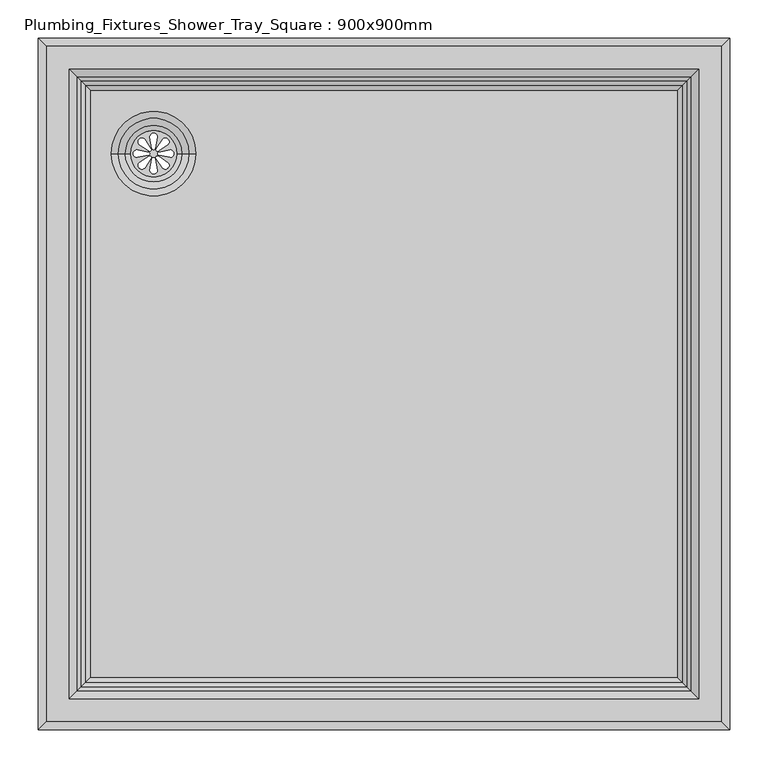
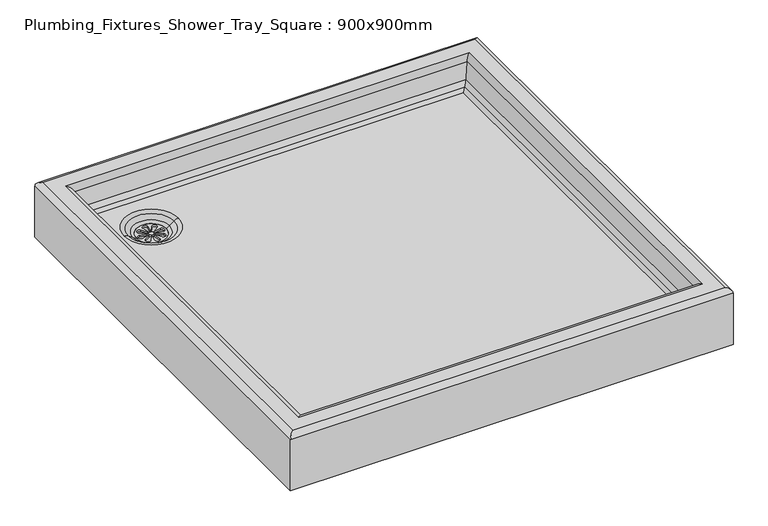
"""IFC4 building model written with IfcOpenShell, lengths in millimetres: flow terminal geometry, Plumbing_Fixtures_Shower_Tray_Square : 900x900mm."""

from ifc_helpers import new_model, si_unit, point, frame, frame_2d, origin, place, context, project, spatial, polyline, circle_curve, ellipse_curve, trimmed, segment, composite_curve, outline, extrude, source, transform, mapped, element, save
from ifc_brep_helpers import plane_surface, cylinder_surface, revolved_surface, advanced_brep


def plumbing_fixtures_shower_tray_square_900x900mm_4f2a29ac(model_context):
    return source(origin(), model_context, "Body", "SolidModel", [
        extrude(outline(composite_curve([segment(trimmed(circle_curve(frame_2d((-300.0, 300.0)), 30.0), [point((-330.0, 300.0))], [point((-270.0, 300.0))], False, "CARTESIAN"), True, "CONTINUOUS"), segment(trimmed(circle_curve(frame_2d((-300.0, 300.0)), 30.0), [point((-270.0, 300.0))], [point((-330.0, 300.0))], False, "CARTESIAN"), True, "CONTINUOUS")], self_intersect=False), holes=[composite_curve([segment(polyline([(-298.0437984, 307.2242832), (-295.0173347, 321.5301417)]), True, "CONTINUOUS"), segment(trimmed(circle_curve(frame_2d((-300.0, 321.5301417)), 4.9826653), [point((-295.0173347, 321.5301417))], [point((-304.9826653, 321.5301417))], True, "CARTESIAN"), True, "CONTINUOUS"), segment(polyline([(-304.9826653, 321.5301417), (-302.1435586, 307.2242832)]), True, "CONTINUOUS"), segment(trimmed(circle_curve(frame_2d((-300.0936785, 307.2242832)), 2.0498801), [point((-302.1435586, 307.2242832))], [point((-298.0437984, 307.2242832))], True, "CARTESIAN"), True, "CONTINUOUS")], self_intersect=False), composite_curve([segment(trimmed(circle_curve(frame_2d((-300.0936785, 292.7757168)), 2.0498801), [point((-298.0437984, 292.7757168))], [point((-302.1435586, 292.7757168))], True, "CARTESIAN"), True, "CONTINUOUS"), segment(polyline([(-302.1435586, 292.7757168), (-304.9826653, 278.4698583)]), True, "CONTINUOUS"), segment(trimmed(circle_curve(frame_2d((-300.0, 278.4698583)), 4.9826653), [point((-304.9826653, 278.4698583))], [point((-295.0173347, 278.4698583))], True, "CARTESIAN"), True, "CONTINUOUS"), segment(polyline([(-295.0173347, 278.4698583), (-298.0437984, 292.7757168)]), True, "CONTINUOUS")], self_intersect=False), composite_curve([segment(polyline([(-307.2242832, 301.9562016), (-321.5301417, 304.9826653)]), True, "CONTINUOUS"), segment(trimmed(circle_curve(frame_2d((-321.5301417, 300.0)), 4.9826653), [point((-321.5301417, 304.9826653))], [point((-321.5301417, 295.0173347))], True, "CARTESIAN"), True, "CONTINUOUS"), segment(polyline([(-321.5301417, 295.0173347), (-307.2242832, 297.8564414)]), True, "CONTINUOUS"), segment(trimmed(circle_curve(frame_2d((-307.2242832, 299.9063215)), 2.0498801), [point((-307.2242832, 297.8564414))], [point((-307.2242832, 301.9562016))], True, "CARTESIAN"), True, "CONTINUOUS")], self_intersect=False), composite_curve([segment(trimmed(circle_curve(frame_2d((-292.7757168, 299.9063215)), 2.0498801), [point((-292.7757168, 301.9562016))], [point((-292.7757168, 297.8564414))], True, "CARTESIAN"), True, "CONTINUOUS"), segment(polyline([(-292.7757168, 297.8564414), (-278.4698583, 295.0173347)]), True, "CONTINUOUS"), segment(trimmed(circle_curve(frame_2d((-278.4698583, 300.0)), 4.9826653), [point((-278.4698583, 295.0173347))], [point((-278.4698583, 304.9826653))], True, "CARTESIAN"), True, "CONTINUOUS"), segment(polyline([(-278.4698583, 304.9826653), (-292.7757168, 301.9562016)]), True, "CONTINUOUS")], self_intersect=False), composite_curve([segment(polyline([(-303.7250963, 306.4915831), (-311.7008327, 318.7473856)]), True, "CONTINUOUS"), segment(trimmed(circle_curve(frame_2d((-315.2241092, 315.2241092)), 4.9826653), [point((-311.7008327, 318.7473856))], [point((-318.7473856, 311.7008327))], True, "CARTESIAN"), True, "CONTINUOUS"), segment(polyline([(-318.7473856, 311.7008327), (-306.6240645, 303.5926149)]), True, "CONTINUOUS"), segment(trimmed(circle_curve(frame_2d((-305.1745804, 305.042099)), 2.0498801), [point((-306.6240645, 303.5926149))], [point((-303.7250963, 306.4915831))], True, "CARTESIAN"), True, "CONTINUOUS")], self_intersect=False), composite_curve([segment(trimmed(circle_curve(frame_2d((-294.957901, 294.8254196)), 2.0498801), [point((-293.5084169, 296.2749037))], [point((-296.4073851, 293.3759355))], True, "CARTESIAN"), True, "CONTINUOUS"), segment(polyline([(-296.4073851, 293.3759355), (-288.2991673, 281.2526144)]), True, "CONTINUOUS"), segment(trimmed(circle_curve(frame_2d((-284.7758908, 284.7758908)), 4.9826653), [point((-288.2991673, 281.2526144))], [point((-281.2526144, 288.2991673))], True, "CARTESIAN"), True, "CONTINUOUS"), segment(polyline([(-281.2526144, 288.2991673), (-293.5084169, 296.2749037)]), True, "CONTINUOUS")], self_intersect=False), composite_curve([segment(polyline([(-306.4915831, 296.2749037), (-318.7473856, 288.2991673)]), True, "CONTINUOUS"), segment(trimmed(circle_curve(frame_2d((-315.2241092, 284.7758908)), 4.9826653), [point((-318.7473856, 288.2991673))], [point((-311.7008327, 281.2526144))], True, "CARTESIAN"), True, "CONTINUOUS"), segment(polyline([(-311.7008327, 281.2526144), (-303.5926149, 293.3759355)]), True, "CONTINUOUS"), segment(trimmed(circle_curve(frame_2d((-305.042099, 294.8254196)), 2.0498801), [point((-303.5926149, 293.3759355))], [point((-306.4915831, 296.2749037))], True, "CARTESIAN"), True, "CONTINUOUS")], self_intersect=False), composite_curve([segment(trimmed(circle_curve(frame_2d((-294.8254196, 305.042099)), 2.0498801), [point((-296.2749037, 306.4915831))], [point((-293.3759355, 303.5926149))], True, "CARTESIAN"), True, "CONTINUOUS"), segment(polyline([(-293.3759355, 303.5926149), (-281.2526144, 311.7008327)]), True, "CONTINUOUS"), segment(trimmed(circle_curve(frame_2d((-284.7758908, 315.2241092)), 4.9826653), [point((-281.2526144, 311.7008327))], [point((-288.2991673, 318.7473856))], True, "CARTESIAN"), True, "CONTINUOUS"), segment(polyline([(-288.2991673, 318.7473856), (-296.2749037, 306.4915831)]), True, "CONTINUOUS")], self_intersect=False)]), frame((0.0, 0.0, 43.429774), z_axis=(0.0, 0.0, 1.0), x_axis=(1.0, 0.0, 0.0)), (0.0, 0.0, 1.0), 3.0),
        advanced_brep(
        [(450.0, 450.0, 0.0), (450.0, 450.0, 110.0), (450.0, -450.0, 110.0), (450.0, -450.0, 0.0), (388.5950747, 388.5950747, 66.1486916), (382.446383, 382.446383, 60.0), (382.446383, -382.446383, 60.0), (388.5950747, -388.5950747, 66.1486916), (394.1490941, -394.1490941, 76.8178637), (394.1490941, 394.1490941, 76.8178637), (400.0, -400.0, 110.0), (400.0, 400.0, 110.0), (410.0, -410.0, 120.0), (410.0, 410.0, 120.0), (440.0, 440.0, 120.0), (440.0, -440.0, 120.0), (-450.0, -450.0, 110.0), (-450.0, -450.0, 0.0), (-382.446383, -382.446383, 60.0), (-388.5950747, -388.5950747, 66.1486916), (-394.1490941, -394.1490941, 76.8178637), (-400.0, -400.0, 110.0), (-410.0, -410.0, 120.0), (-440.0, -440.0, 120.0), (-450.0, 450.0, 110.0), (-450.0, 450.0, 0.0), (-382.446383, 382.446383, 60.0), (-388.5950747, 388.5950747, 66.1486916), (-394.1490941, 394.1490941, 76.8178637), (-400.0, 400.0, 110.0), (-410.0, 410.0, 120.0), (-440.0, 440.0, 120.0), (-330.0, 300.0, 0.0), (-270.0, 300.0, 0.0), (-355.0, 300.0, 60.0), (-245.0, 300.0, 60.0), (-270.0, 300.0, 46.429774), (-330.0, 300.0, 46.429774), (-263.3333333, 300.0, 50.0), (-336.6666667, 300.0, 50.0), (-254.0, 300.0, 57.0), (-346.0, 300.0, 57.0)],
        [
            (0, 1),
            (1, 2),
            (2, 3),
            (3, 0),
            (4, 5),
            (5, 6),
            (6, 7),
            (7, 4),
            (7, 8, ellipse_curve(frame((374.452939, -374.452939, 80.2908273), z_axis=(-0.7071067811865475, -0.7071067811865475, 0.0), x_axis=(0.7071067811865474, -0.7071067811865476, 0.0)), 28.2842712, 20.0)),
            (8, 9),
            (9, 4, ellipse_curve(frame((374.452939, 374.452939, 80.2908273), z_axis=(-0.7071067811865475, 0.7071067811865475, 0.0), x_axis=(-0.7071067811865474, -0.7071067811865476, 0.0)), 28.2842712, 20.0)),
            (8, 10),
            (10, 11),
            (11, 9),
            (10, 12, ellipse_curve(frame((410.0, -410.0, 110.0), z_axis=(0.7071067811865475, 0.7071067811865475, 0.0), x_axis=(-0.7071067811865474, 0.7071067811865476, 0.0)), 14.1421356, 10.0)),
            (12, 13),
            (13, 11, ellipse_curve(frame((410.0, 410.0, 110.0), z_axis=(0.7071067811865475, -0.7071067811865475, 0.0), x_axis=(0.7071067811865474, 0.7071067811865476, 0.0)), 14.1421356, 10.0)),
            (1, 14, ellipse_curve(frame((440.0, 440.0, 110.0), z_axis=(0.7071067811865475, -0.7071067811865475, 0.0), x_axis=(0.7071067811865474, 0.7071067811865476, 0.0)), 14.1421356, 10.0)),
            (14, 15),
            (15, 2, ellipse_curve(frame((440.0, -440.0, 110.0), z_axis=(0.7071067811865475, 0.7071067811865475, 0.0), x_axis=(-0.7071067811865474, 0.7071067811865476, 0.0)), 14.1421356, 10.0)),
            (2, 16),
            (16, 17),
            (17, 3),
            (6, 18),
            (18, 19),
            (19, 7),
            (19, 20, ellipse_curve(frame((-374.452939, -374.452939, 80.2908273), z_axis=(-0.7071067811865475, 0.7071067811865475, 0.0), x_axis=(-0.7071067811865476, -0.7071067811865474, 0.0)), 28.2842712, 20.0)),
            (20, 8),
            (20, 21),
            (21, 10),
            (21, 22, ellipse_curve(frame((-410.0, -410.0, 110.0), z_axis=(0.7071067811865475, -0.7071067811865475, 0.0), x_axis=(0.7071067811865476, 0.7071067811865474, 0.0)), 14.1421356, 10.0)),
            (22, 12),
            (15, 23),
            (23, 16, ellipse_curve(frame((-440.0, -440.0, 110.0), z_axis=(0.7071067811865475, -0.7071067811865475, 0.0), x_axis=(0.7071067811865476, 0.7071067811865474, 0.0)), 14.1421356, 10.0)),
            (16, 24),
            (24, 25),
            (25, 17),
            (18, 26),
            (26, 27),
            (27, 19),
            (27, 28, ellipse_curve(frame((-374.452939, 374.452939, 80.2908273), z_axis=(0.7071067811865475, 0.7071067811865475, 0.0), x_axis=(-0.7071067811865474, 0.7071067811865476, 0.0)), 28.2842712, 20.0)),
            (28, 20),
            (28, 29),
            (29, 21),
            (29, 30, ellipse_curve(frame((-410.0, 410.0, 110.0), z_axis=(-0.7071067811865475, -0.7071067811865475, 0.0), x_axis=(0.7071067811865474, -0.7071067811865476, 0.0)), 14.1421356, 10.0)),
            (30, 22),
            (23, 31),
            (31, 24, ellipse_curve(frame((-440.0, 440.0, 110.0), z_axis=(-0.7071067811865475, -0.7071067811865475, 0.0), x_axis=(0.7071067811865474, -0.7071067811865476, 0.0)), 14.1421356, 10.0)),
            (0, 25),
            (24, 1),
            (32, 33, circle_curve(frame((-300.0, 300.0, 0.0), z_axis=(0.0, 0.0, 1.0), x_axis=(1.0, 0.0, 0.0)), 30.0)),
            (33, 32, circle_curve(frame((-300.0, 300.0, 0.0), z_axis=(0.0, 0.0, 1.0), x_axis=(1.0, 0.0, 0.0)), 30.0)),
            (4, 27),
            (26, 5),
            (9, 28),
            (11, 29),
            (13, 30),
            (14, 31),
            (34, 35, circle_curve(frame((-300.0, 300.0, 60.0), z_axis=(0.0, 0.0, -1.0), x_axis=(1.0, 0.0, 0.0)), 55.0)),
            (35, 34, circle_curve(frame((-300.0, 300.0, 60.0), z_axis=(0.0, 0.0, -1.0), x_axis=(1.0, 0.0, 0.0)), 55.0)),
            (33, 36),
            (36, 37, circle_curve(frame((-300.0, 300.0, 46.429774), z_axis=(0.0, 0.0, 1.0), x_axis=(1.0, 0.0, 0.0)), 30.0)),
            (37, 32),
            (37, 36, circle_curve(frame((-300.0, 300.0, 46.429774), z_axis=(0.0, 0.0, 1.0), x_axis=(1.0, 0.0, 0.0)), 30.0)),
            (38, 39, circle_curve(frame((-300.0, 300.0, 50.0), z_axis=(0.0, 0.0, 1.0), x_axis=(1.0, 0.0, 0.0)), 36.6666667)),
            (39, 37, circle_curve(frame((-321.6666667, 300.0, 70.0), z_axis=(0.0, -1.0, 0.0), x_axis=(-1.0, 0.0, 0.0)), 25.0)),
            (36, 38, circle_curve(frame((-278.3333333, 300.0, 70.0), z_axis=(0.0, -1.0, 0.0), x_axis=(1.0, 0.0, 0.0)), 25.0)),
            (39, 38, circle_curve(frame((-300.0, 300.0, 50.0), z_axis=(0.0, 0.0, 1.0), x_axis=(1.0, 0.0, 0.0)), 36.6666667)),
            (38, 40),
            (40, 41, circle_curve(frame((-300.0, 300.0, 57.0), z_axis=(0.0, 0.0, 1.0), x_axis=(1.0, 0.0, 0.0)), 46.0)),
            (41, 39),
            (41, 40, circle_curve(frame((-300.0, 300.0, 57.0), z_axis=(0.0, 0.0, 1.0), x_axis=(1.0, 0.0, 0.0)), 46.0)),
            (40, 35, circle_curve(frame((-245.0, 300.0, 45.0), z_axis=(0.0, 1.0, 0.0), x_axis=(1.0, 0.0, 0.0)), 15.0)),
            (34, 41, circle_curve(frame((-355.0, 300.0, 45.0), z_axis=(0.0, 1.0, 0.0), x_axis=(-1.0, 0.0, 0.0)), 15.0)),
        ],
        [
            plane_surface(frame((450.0, 450.0, 110.0), z_axis=(1.0, 0.0, 0.0), x_axis=(0.0, -1.0, 0.0))),
            plane_surface(frame((382.446383, 382.446383, 60.0), z_axis=(-0.707106781186548, 0.0, 0.7071067811865471), x_axis=(0.0, -1.0, 0.0))),
            revolved_surface(polyline([(394.452939, -394.45293896643943, 80.2908273), (394.452939, 394.4529389664394, 80.2908273)]), (374.452939, 450.0, 80.2908273), (0.0, -1.0, 0.0)),
            plane_surface(frame((394.1490941, 394.1490941, 76.8178637), z_axis=(-0.984807753012208, 0.0, 0.17364817766693103), x_axis=(0.0, -1.0, 0.0))),
            cylinder_surface(frame((410.0, 450.0, 110.0), z_axis=(0.0, 1.0, 0.0), x_axis=(1.0, 0.0, 0.0)), 10.0),
            cylinder_surface(frame((440.0, 450.0, 110.0), z_axis=(0.0, 1.0, 0.0), x_axis=(1.0, 0.0, 0.0)), 10.0),
            plane_surface(frame((450.0, -450.0, 110.0), z_axis=(0.0, -1.0, 0.0), x_axis=(-1.0, 0.0, 0.0))),
            plane_surface(frame((382.446383, -382.446383, 60.0), z_axis=(0.0, 0.707106781186548, 0.7071067811865471), x_axis=(-1.0, 0.0, 0.0))),
            revolved_surface(polyline([(-394.45293896643943, -394.452939, 80.2908273), (394.4529389664394, -394.452939, 80.2908273)]), (450.0, -374.452939, 80.2908273), (-1.0, 0.0, 0.0)),
            plane_surface(frame((394.1490941, -394.1490941, 76.8178637), z_axis=(0.0, 0.984807753012208, 0.17364817766693103), x_axis=(-1.0, 0.0, 0.0))),
            cylinder_surface(frame((450.0, -410.0, 110.0), z_axis=(1.0, 0.0, 0.0), x_axis=(0.0, -1.0, 0.0)), 10.0),
            cylinder_surface(frame((450.0, -440.0, 110.0), z_axis=(1.0, 0.0, 0.0), x_axis=(0.0, -1.0, 0.0)), 10.0),
            plane_surface(frame((-450.0, -450.0, 110.0), z_axis=(-1.0, 0.0, 0.0), x_axis=(0.0, 1.0, 0.0))),
            plane_surface(frame((-382.446383, -382.446383, 60.0), z_axis=(0.707106781186548, 0.0, 0.7071067811865471), x_axis=(0.0, 1.0, 0.0))),
            revolved_surface(polyline([(-394.452939, 394.45293896643943, 80.2908273), (-394.452939, -394.4529389664394, 80.2908273)]), (-374.452939, -450.0, 80.2908273), (0.0, 1.0, 0.0)),
            plane_surface(frame((-394.1490941, -394.1490941, 76.8178637), z_axis=(0.984807753012208, 0.0, 0.17364817766693103), x_axis=(0.0, 1.0, 0.0))),
            cylinder_surface(frame((-410.0, -450.0, 110.0), z_axis=(0.0, -1.0, 0.0), x_axis=(-1.0, 0.0, 0.0)), 10.0),
            cylinder_surface(frame((-440.0, -450.0, 110.0), z_axis=(0.0, -1.0, 0.0), x_axis=(-1.0, 0.0, 0.0)), 10.0),
            plane_surface(frame((-450.0, 450.0, 110.0), z_axis=(0.0, 1.0, 0.0), x_axis=(1.0, 0.0, 0.0))),
            plane_surface(frame((-450.0, 450.0, 0.0), z_axis=(0.0, 0.0, -1.0), x_axis=(1.0, 0.0, 0.0))),
            plane_surface(frame((-382.446383, 382.446383, 60.0), z_axis=(0.0, -0.707106781186548, 0.7071067811865471), x_axis=(1.0, 0.0, 0.0))),
            revolved_surface(polyline([(394.45293896643943, 394.452939, 80.2908273), (-394.4529389664394, 394.452939, 80.2908273)]), (-450.0, 374.452939, 80.2908273), (1.0, 0.0, 0.0)),
            plane_surface(frame((-394.1490941, 394.1490941, 76.8178637), z_axis=(0.0, -0.984807753012208, 0.17364817766693103), x_axis=(1.0, 0.0, 0.0))),
            cylinder_surface(frame((-450.0, 410.0, 110.0), z_axis=(-1.0, 0.0, 0.0), x_axis=(0.0, 1.0, 0.0)), 10.0),
            plane_surface(frame((-410.0, 410.0, 120.0), z_axis=(0.0, 0.0, 1.0), x_axis=(1.0, 0.0, 0.0))),
            cylinder_surface(frame((-450.0, 440.0, 110.0), z_axis=(-1.0, 0.0, 0.0), x_axis=(0.0, 1.0, 0.0)), 10.0),
            plane_surface(frame((-270.0, 300.0, 60.0), z_axis=(0.0, 0.0, 1.0), x_axis=(0.0, -1.0, 0.0))),
            revolved_surface(polyline([(-270.0, 300.0, 0.0), (-270.0, 300.0, 46.429774)]), (-300.0, 300.0, 0.0), (0.0, 0.0, -1.0)),
            revolved_surface(trimmed(ellipse_curve(frame((-278.3333333, 300.0, 70.0), z_axis=(0.0, 1.0, 0.0), x_axis=(1.0, 0.0, 0.0)), 25.0, 25.0), [point((-263.3333333, 300.0, 50.0))], [point((-278.3333333, 300.0, 45.0))], True, "CARTESIAN"), (-300.0, 300.0, -508.0), (0.0, 0.0, 1.0)),
            revolved_surface(polyline([(-254.0, 300.0, 57.0), (-263.3333333, 300.0, 50.0)]), (-300.0, 300.0, -508.0), (0.0, 0.0, 1.0)),
            revolved_surface(trimmed(ellipse_curve(frame((-245.0, 300.0, 45.0), z_axis=(0.0, -1.0, 0.0), x_axis=(1.0, 0.0, 0.0)), 15.0, 15.0), [point((-245.0, 300.0, 60.0))], [point((-254.0, 300.0, 57.0))], True, "CARTESIAN"), (-300.0, 300.0, -508.0), (0.0, 0.0, 1.0)),
        ],
        [
            (0, [[1, 2, 3, 4]]),
            (1, [[5, 6, 7, 8]]),
            (2, [[-8, 9, 10, 11]]),
            (3, [[-10, 12, 13, 14]]),
            (4, [[-13, 15, 16, 17]]),
            (5, [[-2, 18, 19, 20]]),
            (6, [[-3, 21, 22, 23]]),
            (7, [[-7, 24, 25, 26]]),
            (8, [[-9, -26, 27, 28]]),
            (9, [[-12, -28, 29, 30]]),
            (10, [[-15, -30, 31, 32]]),
            (11, [[-20, 33, 34, -21]]),
            (12, [[-22, 35, 36, 37]]),
            (13, [[-25, 38, 39, 40]]),
            (14, [[-27, -40, 41, 42]]),
            (15, [[-29, -42, 43, 44]]),
            (16, [[-31, -44, 45, 46]]),
            (17, [[-34, 47, 48, -35]]),
            (18, [[-1, 49, -36, 50]]),
            (19, [[-4, -23, -37, -49], [51, 52]]),
            (20, [[-5, 53, -39, 54]]),
            (21, [[-11, 55, -41, -53]]),
            (22, [[-14, 56, -43, -55]]),
            (23, [[-17, 57, -45, -56]]),
            (24, [[-19, 58, -47, -33], [-16, -32, -46, -57]]),
            (25, [[-18, -50, -48, -58]]),
            (26, [[-6, -54, -38, -24], [59, 60]]),
            (27, [[-52, 61, 62, 63]]),
            (27, [[-51, -63, 64, -61]]),
            (28, [[65, 66, -62, 67]]),
            (28, [[68, -67, -64, -66]]),
            (29, [[-65, 69, 70, 71]]),
            (29, [[-68, -71, 72, -69]]),
            (30, [[-70, 73, -59, 74]]),
            (30, [[-72, -74, -60, -73]]),
        ],
    ),
    ])


if __name__ == "__main__":
    model = new_model("IFC4")
    model_context = context("Model", 3, world=origin())
    ifc_project = project(units=[si_unit("LENGTHUNIT", "METRE", prefix="MILLI")], contexts=[model_context])
    site = spatial("IfcSite", under=ifc_project)
    building = spatial("IfcBuilding", under=site)
    placement = place(None, origin())
    plumbing_fixtures_shower_tray_square_900x900mm_shape = plumbing_fixtures_shower_tray_square_900x900mm_4f2a29ac(model_context)
    element("IfcFlowTerminal", 1, ObjectType="Plumbing_Fixtures_Shower_Tray_Square : 900x900mm", at=placement, inside=building, context=model_context, shape_type="MappedRepresentation", body=[
        mapped(plumbing_fixtures_shower_tray_square_900x900mm_shape, transform((0.0, 0.0, 0.0), x_axis=(1.0, 0.0, 0.0), y_axis=(0.0, 1.0, 0.0), z_axis=(0.0, 0.0, 1.0))),
    ])
    save(model, "model.ifc")
